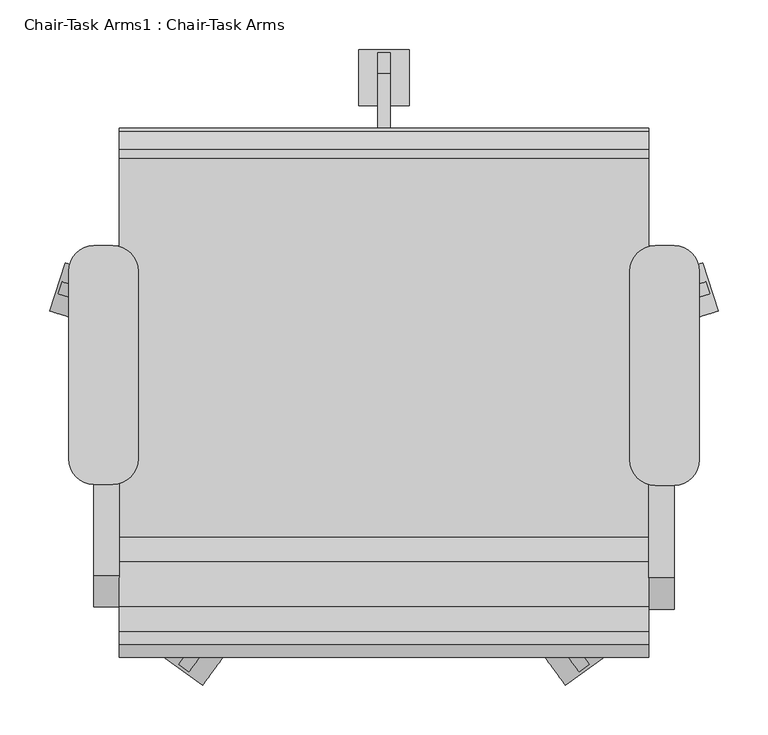
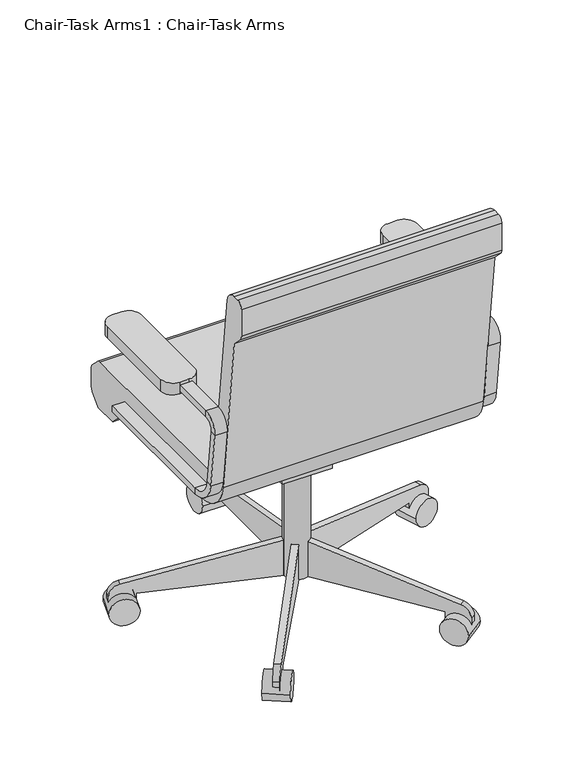
"""IFC4 building model written with IfcOpenShell, lengths in millimetres: furniture geometry, Chair-Task Arms1 : Chair-Task Arms."""

from ifc_helpers import new_model, si_unit, point, frame, frame_2d, origin, place, context, project, spatial, polyline, circle_curve, trimmed, segment, composite_curve, outline, extrude, source, transform, mapped, element, save
from ifc_brep_helpers import plane_surface, cylinder_surface, revolved_surface, advanced_brep


def chair_task_arms1_chair_task_arms_8297d889(model_context):
    return source(origin(), model_context, "Body", "SolidModel", [
        extrude(outline(composite_curve([segment(polyline([(433.0908197, -74.2028048), (414.0408197, -74.2028048)]), True, "CONTINUOUS"), segment(trimmed(circle_curve(frame_2d((414.0408197, -48.8028048)), 25.4), [point((414.0408197, -74.2028048))], [point((388.6408197, -48.8028048))], False, "CARTESIAN"), True, "CONTINUOUS"), segment(polyline([(388.6408197, -48.8028048), (388.6408197, 141.6319091)]), True, "CONTINUOUS"), segment(trimmed(circle_curve(frame_2d((414.0408197, 141.6319091)), 25.4), [point((388.6408197, 141.6319091))], [point((414.0408197, 167.0319091))], False, "CARTESIAN"), True, "CONTINUOUS"), segment(polyline([(414.0408197, 167.0319091), (433.0908197, 167.0319091)]), True, "CONTINUOUS"), segment(trimmed(circle_curve(frame_2d((433.0908197, 141.6319091)), 25.4), [point((433.0908197, 167.0319091))], [point((458.4908197, 141.6319091))], False, "CARTESIAN"), True, "CONTINUOUS"), segment(polyline([(458.4908197, 141.6319091), (458.4908197, -48.8028048)]), True, "CONTINUOUS"), segment(trimmed(circle_curve(frame_2d((433.0908197, -48.8028048)), 25.4), [point((458.4908197, -48.8028048))], [point((433.0908197, -74.2028048))], False, "CARTESIAN"), True, "CONTINUOUS")], self_intersect=False)), frame((0.0, 0.0, 596.9), z_axis=(0.0, 0.0, 1.0), x_axis=(1.0, 0.0, 0.0)), (0.0, 0.0, 1.0), 25.4),
        extrude(outline(composite_curve([segment(polyline([(-132.0591803, -73.1575984), (-151.1091803, -73.1575984)]), True, "CONTINUOUS"), segment(trimmed(circle_curve(frame_2d((-151.1091803, -47.7575984)), 25.4), [point((-151.1091803, -73.1575984))], [point((-176.5091803, -47.7575984))], False, "CARTESIAN"), True, "CONTINUOUS"), segment(polyline([(-176.5091803, -47.7575984), (-176.5091803, 141.6319091)]), True, "CONTINUOUS"), segment(trimmed(circle_curve(frame_2d((-151.1091803, 141.6319091)), 25.4), [point((-176.5091803, 141.6319091))], [point((-151.1091803, 167.0319091))], False, "CARTESIAN"), True, "CONTINUOUS"), segment(polyline([(-151.1091803, 167.0319091), (-132.0591803, 167.0319091)]), True, "CONTINUOUS"), segment(trimmed(circle_curve(frame_2d((-132.0591803, 141.6319091)), 25.4), [point((-132.0591803, 167.0319091))], [point((-106.6591803, 141.6319091))], False, "CARTESIAN"), True, "CONTINUOUS"), segment(polyline([(-106.6591803, 141.6319091), (-106.6591803, -47.7575984)]), True, "CONTINUOUS"), segment(trimmed(circle_curve(frame_2d((-132.0591803, -47.7575984)), 25.4), [point((-106.6591803, -47.7575984))], [point((-132.0591803, -73.1575984))], False, "CARTESIAN"), True, "CONTINUOUS")], self_intersect=False)), frame((0.0, 0.0, 596.9), z_axis=(0.0, 0.0, 1.0), x_axis=(1.0, 0.0, 0.0)), (0.0, 0.0, 1.0), 25.4),
        advanced_brep(
        [(-151.1091803, 167.0319091, 412.75), (-151.1091803, 167.0319091, 425.45), (-125.7091803, 167.0319091, 425.45), (-125.7091803, 167.0319091, 412.75), (-151.1091803, -126.2388651, 412.75), (-151.1091803, -126.2388651, 425.45), (-125.7091803, -126.2388651, 425.45), (-125.7091803, -126.2388651, 412.75), (-151.1091803, -170.3844094, 464.7064065), (-151.1091803, -182.9974221, 463.2225227), (-125.7091803, -170.3844094, 464.7064065), (-125.7091803, -182.9974221, 463.2225227), (-151.1091803, -196.7936301, 580.4902904), (-151.1091803, -184.1806174, 581.9741742), (-125.7091803, -184.1806174, 581.9741742), (-125.7091803, -196.7936301, 580.4902904), (-151.1091803, -165.2610984, 603.25), (-151.1091803, -165.2610984, 615.95), (-125.7091803, -165.2610984, 603.25), (-125.7091803, -165.2610984, 615.95), (-151.1091803, 18.9459016, 615.95), (-125.7091803, 18.9459016, 615.95), (-125.7091803, 18.9459016, 603.25), (-151.1091803, 18.9459016, 603.25)],
        [
            (0, 1),
            (1, 2),
            (2, 3),
            (3, 0),
            (0, 4),
            (4, 5),
            (5, 1),
            (5, 6),
            (6, 2),
            (6, 7),
            (7, 3),
            (7, 4),
            (8, 5, circle_curve(frame((-151.1091803, -126.2388651, 469.9), z_axis=(1.0, 0.0, 0.0), x_axis=(0.0, 0.0, -1.0)), 44.45)),
            (4, 9, circle_curve(frame((-151.1091803, -126.2388651, 469.9), z_axis=(-1.0, 0.0, 0.0), x_axis=(0.0, 0.0, -1.0)), 57.15)),
            (9, 8),
            (10, 6, circle_curve(frame((-125.7091803, -126.2388651, 469.9), z_axis=(1.0, 0.0, 0.0), x_axis=(0.0, 0.0, -1.0)), 44.45)),
            (8, 10),
            (11, 7, circle_curve(frame((-125.7091803, -126.2388651, 469.9), z_axis=(1.0, 0.0, 0.0), x_axis=(0.0, 0.0, -1.0)), 57.15)),
            (10, 11),
            (11, 9),
            (9, 12),
            (12, 13),
            (13, 8),
            (13, 14),
            (14, 10),
            (14, 15),
            (15, 11),
            (15, 12),
            (16, 13, circle_curve(frame((-151.1091803, -165.2610984, 584.2), z_axis=(1.0, 0.0, 0.0), x_axis=(0.0, -0.993150604322877, -0.11684124756739026)), 19.05)),
            (12, 17, circle_curve(frame((-151.1091803, -165.2610984, 584.2), z_axis=(-1.0, 0.0, 0.0), x_axis=(0.0, -0.993150604322877, -0.11684124756739026)), 31.75)),
            (17, 16),
            (18, 14, circle_curve(frame((-125.7091803, -165.2610984, 584.2), z_axis=(1.0, 0.0, 0.0), x_axis=(0.0, -0.993150604322877, -0.11684124756739026)), 19.05)),
            (16, 18),
            (19, 15, circle_curve(frame((-125.7091803, -165.2610984, 584.2), z_axis=(1.0, 0.0, 0.0), x_axis=(0.0, -0.993150604322877, -0.11684124756739026)), 31.75)),
            (18, 19),
            (19, 17),
            (20, 21),
            (21, 22),
            (22, 23),
            (23, 20),
            (17, 20),
            (23, 16),
            (22, 18),
            (21, 19),
        ],
        [
            plane_surface(frame((-152.608212, 167.0319091, 419.1), z_axis=(0.0, 1.0, 0.0), x_axis=(0.0, 0.0, -1.0))),
            plane_surface(frame((-151.1091803, 167.0319091, 412.75), z_axis=(-1.0, 0.0, 0.0), x_axis=(0.0, -1.0, 0.0))),
            plane_surface(frame((-151.1091803, 167.0319091, 425.45), z_axis=(0.0, 0.0, 1.0), x_axis=(0.0, -1.0, 0.0))),
            plane_surface(frame((-125.7091803, 167.0319091, 425.45), z_axis=(1.0, 0.0, 0.0), x_axis=(0.0, -1.0, 0.0))),
            plane_surface(frame((-125.7091803, 167.0319091, 412.75), z_axis=(0.0, 0.0, -1.0), x_axis=(0.0, -1.0, 0.0))),
            plane_surface(frame((-151.1091803, -126.2388651, 469.9), z_axis=(-1.0, 0.0, 0.0), x_axis=(0.0, 0.0, -1.0))),
            revolved_surface(polyline([(-151.1091803, -126.2388651, 425.45), (-125.7091803, -126.2388651, 425.45)]), (-138.4091803, -126.2388651, 469.9), (-1.0, 0.0, 0.0)),
            plane_surface(frame((-125.7091803, -126.2388651, 469.9), z_axis=(1.0, 0.0, 0.0), x_axis=(0.0, 0.0, -1.0))),
            cylinder_surface(frame((-138.4091803, -126.2388651, 469.9), z_axis=(-1.0, 0.0, 0.0), x_axis=(0.0, 0.0, -1.0)), 57.15),
            plane_surface(frame((-151.1091803, -182.9974221, 463.2225227), z_axis=(-1.0, 0.0, 0.0), x_axis=(0.0, -0.11684124756738562, 0.9931506043228776))),
            plane_surface(frame((-151.1091803, -170.3844094, 464.7064065), z_axis=(0.0, 0.9931506043228776, 0.11684124756738562), x_axis=(0.0, -0.11684124756738562, 0.9931506043228776))),
            plane_surface(frame((-125.7091803, -170.3844094, 464.7064065), z_axis=(1.0, 0.0, 0.0), x_axis=(0.0, -0.11684124756738562, 0.9931506043228776))),
            plane_surface(frame((-125.7091803, -182.9974221, 463.2225227), z_axis=(0.0, -0.9931506043228776, -0.11684124756738562), x_axis=(0.0, -0.11684124756738562, 0.9931506043228776))),
            plane_surface(frame((-151.1091803, -165.2610984, 584.2), z_axis=(-1.0, 0.0, 0.0), x_axis=(0.0, -0.993150604322877, -0.11684124756739026))),
            revolved_surface(polyline([(-151.1091803, -184.1806174123508, 581.9741742338413), (-125.7091803, -184.1806174123508, 581.9741742338413)]), (-138.4091803, -165.2610984, 584.2), (-1.0, 0.0, 0.0)),
            plane_surface(frame((-125.7091803, -165.2610984, 584.2), z_axis=(1.0, 0.0, 0.0), x_axis=(0.0, -0.993150604322877, -0.11684124756739026))),
            cylinder_surface(frame((-138.4091803, -165.2610984, 584.2), z_axis=(-1.0, 0.0, 0.0), x_axis=(0.0, -0.993150604322877, -0.11684124756739026)), 31.75),
            plane_surface(frame((-152.608212, 18.9459016, 609.6), z_axis=(0.0, 1.0, 0.0), x_axis=(0.0, 0.0, 1.0))),
            plane_surface(frame((-151.1091803, -165.2610984, 615.95), z_axis=(-1.0, 0.0, 0.0), x_axis=(0.0, 1.0, 0.0))),
            plane_surface(frame((-151.1091803, -165.2610984, 603.25), z_axis=(0.0, 0.0, -1.0), x_axis=(0.0, 1.0, 0.0))),
            plane_surface(frame((-125.7091803, -165.2610984, 603.25), z_axis=(1.0, 0.0, 0.0), x_axis=(0.0, 1.0, 0.0))),
            plane_surface(frame((-125.7091803, -165.2610984, 615.95), z_axis=(0.0, 0.0, 1.0), x_axis=(0.0, 1.0, 0.0))),
        ],
        [
            (0, [[1, 2, 3, 4]]),
            (1, [[-1, 5, 6, 7]]),
            (2, [[-2, -7, 8, 9]]),
            (3, [[-3, -9, 10, 11]]),
            (4, [[-4, -11, 12, -5]]),
            (5, [[13, -6, 14, 15]]),
            (6, [[16, -8, -13, 17]]),
            (7, [[18, -10, -16, 19]]),
            (8, [[-14, -12, -18, 20]]),
            (9, [[-15, 21, 22, 23]]),
            (10, [[-17, -23, 24, 25]]),
            (11, [[-19, -25, 26, 27]]),
            (12, [[-20, -27, 28, -21]]),
            (13, [[29, -22, 30, 31]]),
            (14, [[32, -24, -29, 33]]),
            (15, [[34, -26, -32, 35]]),
            (16, [[-30, -28, -34, 36]]),
            (17, [[37, 38, 39, 40]]),
            (18, [[-31, 41, -40, 42]]),
            (19, [[-33, -42, -39, 43]]),
            (20, [[-35, -43, -38, 44]]),
            (21, [[-36, -44, -37, -41]]),
        ],
    ),
        advanced_brep(
        [(433.0908197, 167.0319091, 425.45), (433.0908197, 167.0319091, 412.75), (407.6908197, 167.0319091, 412.75), (407.6908197, 167.0319091, 425.45), (433.0908197, -128.329278, 425.45), (433.0908197, -128.329278, 412.75), (407.6908197, -128.329278, 412.75), (407.6908197, -128.329278, 425.45), (433.0908197, -185.0878351, 463.2225227), (433.0908197, -172.4748224, 464.7064065), (407.6908197, -185.0878351, 463.2225227), (407.6908197, -172.4748224, 464.7064065), (433.0908197, -186.2710303, 581.9741742), (433.0908197, -198.884043, 580.4902904), (407.6908197, -198.884043, 580.4902904), (407.6908197, -186.2710303, 581.9741742), (433.0908197, -167.3515113, 615.95), (433.0908197, -167.3515113, 603.25), (407.6908197, -167.3515113, 615.95), (407.6908197, -167.3515113, 603.25), (433.0908197, 18.9459016, 603.25), (407.6908197, 18.9459016, 603.25), (407.6908197, 18.9459016, 615.95), (433.0908197, 18.9459016, 615.95)],
        [
            (0, 1),
            (1, 2),
            (2, 3),
            (3, 0),
            (0, 4),
            (4, 5),
            (5, 1),
            (5, 6),
            (6, 2),
            (6, 7),
            (7, 3),
            (7, 4),
            (8, 5, circle_curve(frame((433.0908197, -128.329278, 469.9), z_axis=(1.0, 0.0, 0.0), x_axis=(0.0, 0.0, -1.0)), 57.15)),
            (4, 9, circle_curve(frame((433.0908197, -128.329278, 469.9), z_axis=(-1.0, 0.0, 0.0), x_axis=(0.0, 0.0, -1.0)), 44.45)),
            (9, 8),
            (10, 6, circle_curve(frame((407.6908197, -128.329278, 469.9), z_axis=(1.0, 0.0, 0.0), x_axis=(0.0, 0.0, -1.0)), 57.15)),
            (8, 10),
            (11, 7, circle_curve(frame((407.6908197, -128.329278, 469.9), z_axis=(1.0, 0.0, 0.0), x_axis=(0.0, 0.0, -1.0)), 44.45)),
            (10, 11),
            (11, 9),
            (9, 12),
            (12, 13),
            (13, 8),
            (13, 14),
            (14, 10),
            (14, 15),
            (15, 11),
            (15, 12),
            (16, 13, circle_curve(frame((433.0908197, -167.3515113, 584.2), z_axis=(1.0, 0.0, 0.0), x_axis=(0.0, -0.9931506043228767, -0.1168412475673929)), 31.75)),
            (12, 17, circle_curve(frame((433.0908197, -167.3515113, 584.2), z_axis=(-1.0, 0.0, 0.0), x_axis=(0.0, -0.9931506043228767, -0.1168412475673929)), 19.05)),
            (17, 16),
            (18, 14, circle_curve(frame((407.6908197, -167.3515113, 584.2), z_axis=(1.0, 0.0, 0.0), x_axis=(0.0, -0.9931506043228767, -0.1168412475673929)), 31.75)),
            (16, 18),
            (19, 15, circle_curve(frame((407.6908197, -167.3515113, 584.2), z_axis=(1.0, 0.0, 0.0), x_axis=(0.0, -0.9931506043228767, -0.1168412475673929)), 19.05)),
            (18, 19),
            (19, 17),
            (20, 21),
            (21, 22),
            (22, 23),
            (23, 20),
            (17, 20),
            (23, 16),
            (22, 18),
            (21, 19),
        ],
        [
            plane_surface(frame((406.191788, 167.0319091, 419.1), z_axis=(0.0, 1.0, 0.0), x_axis=(0.0, 0.0, -1.0))),
            plane_surface(frame((433.0908197, 167.0319091, 425.45), z_axis=(1.0, 0.0, 0.0), x_axis=(0.0, -1.0, 0.0))),
            plane_surface(frame((433.0908197, 167.0319091, 412.75), z_axis=(0.0, 0.0, -1.0), x_axis=(0.0, -1.0, 0.0))),
            plane_surface(frame((407.6908197, 167.0319091, 412.75), z_axis=(-1.0, 0.0, 0.0), x_axis=(0.0, -1.0, 0.0))),
            plane_surface(frame((407.6908197, 167.0319091, 425.45), z_axis=(0.0, 0.0, 1.0), x_axis=(0.0, -1.0, 0.0))),
            plane_surface(frame((433.0908197, -128.329278, 469.9), z_axis=(1.0, 0.0, 0.0), x_axis=(0.0, 0.0, -1.0))),
            cylinder_surface(frame((420.3908197, -128.329278, 469.9), z_axis=(-1.0, 0.0, 0.0), x_axis=(0.0, 0.0, -1.0)), 57.15),
            plane_surface(frame((407.6908197, -128.329278, 469.9), z_axis=(-1.0, 0.0, 0.0), x_axis=(0.0, 0.0, -1.0))),
            revolved_surface(polyline([(407.6908197, -128.329278, 425.45), (433.0908197, -128.329278, 425.45)]), (420.3908197, -128.329278, 469.9), (-1.0, 0.0, 0.0)),
            plane_surface(frame((433.0908197, -172.4748224, 464.7064065), z_axis=(1.0, 0.0, 0.0), x_axis=(0.0, -0.11684124756738622, 0.9931506043228775))),
            plane_surface(frame((433.0908197, -185.0878351, 463.2225227), z_axis=(0.0, -0.9931506043228775, -0.11684124756738622), x_axis=(0.0, -0.11684124756738622, 0.9931506043228775))),
            plane_surface(frame((407.6908197, -185.0878351, 463.2225227), z_axis=(-1.0, 0.0, 0.0), x_axis=(0.0, -0.11684124756738622, 0.9931506043228775))),
            plane_surface(frame((407.6908197, -172.4748224, 464.7064065), z_axis=(0.0, 0.9931506043228775, 0.11684124756738622), x_axis=(0.0, -0.11684124756738622, 0.9931506043228775))),
            plane_surface(frame((433.0908197, -167.3515113, 584.2), z_axis=(1.0, 0.0, 0.0), x_axis=(0.0, -0.9931506043228767, -0.1168412475673929))),
            cylinder_surface(frame((420.3908197, -167.3515113, 584.2), z_axis=(-1.0, 0.0, 0.0), x_axis=(0.0, -0.9931506043228767, -0.1168412475673929)), 31.75),
            plane_surface(frame((407.6908197, -167.3515113, 584.2), z_axis=(-1.0, 0.0, 0.0), x_axis=(0.0, -0.9931506043228767, -0.1168412475673929))),
            revolved_surface(polyline([(407.6908197, -186.2710303123508, 581.9741742338412), (433.0908197, -186.2710303123508, 581.9741742338412)]), (420.3908197, -167.3515113, 584.2), (-1.0, 0.0, 0.0)),
            plane_surface(frame((406.191788, 18.9459016, 609.6), z_axis=(0.0, 1.0, 0.0), x_axis=(0.0, 0.0, 1.0))),
            plane_surface(frame((433.0908197, -167.3515113, 603.25), z_axis=(1.0, 0.0, 0.0), x_axis=(0.0, 1.0, 0.0))),
            plane_surface(frame((433.0908197, -167.3515113, 615.95), z_axis=(0.0, 0.0, 1.0), x_axis=(0.0, 1.0, 0.0))),
            plane_surface(frame((407.6908197, -167.3515113, 615.95), z_axis=(-1.0, 0.0, 0.0), x_axis=(0.0, 1.0, 0.0))),
            plane_surface(frame((407.6908197, -167.3515113, 603.25), z_axis=(0.0, 0.0, -1.0), x_axis=(0.0, 1.0, 0.0))),
        ],
        [
            (0, [[1, 2, 3, 4]]),
            (1, [[-1, 5, 6, 7]]),
            (2, [[-2, -7, 8, 9]]),
            (3, [[-3, -9, 10, 11]]),
            (4, [[-4, -11, 12, -5]]),
            (5, [[13, -6, 14, 15]]),
            (6, [[16, -8, -13, 17]]),
            (7, [[18, -10, -16, 19]]),
            (8, [[-14, -12, -18, 20]]),
            (9, [[-15, 21, 22, 23]]),
            (10, [[-17, -23, 24, 25]]),
            (11, [[-19, -25, 26, 27]]),
            (12, [[-20, -27, 28, -21]]),
            (13, [[29, -22, 30, 31]]),
            (14, [[32, -24, -29, 33]]),
            (15, [[34, -26, -32, 35]]),
            (16, [[-30, -28, -34, 36]]),
            (17, [[37, 38, 39, 40]]),
            (18, [[-31, 41, -40, 42]]),
            (19, [[-33, -42, -39, 43]]),
            (20, [[-35, -43, -38, 44]]),
            (21, [[-36, -44, -37, -41]]),
        ],
    ),
        extrude(outline(composite_curve([segment(trimmed(circle_curve(frame_2d((140.9908197, 18.9459016)), 25.4), [point((115.5908197, 18.9459016))], [point((166.3908197, 18.9459016))], False, "CARTESIAN"), True, "CONTINUOUS"), segment(trimmed(circle_curve(frame_2d((140.9908197, 18.9459016)), 25.4), [point((166.3908197, 18.9459016))], [point((115.5908197, 18.9459016))], False, "CARTESIAN"), True, "CONTINUOUS")], self_intersect=False)), frame((0.0, 0.0, 53.5835944), z_axis=(0.0, 0.0, 1.0), x_axis=(1.0, 0.0, 0.0)), (0.0, 0.0, 1.0), 330.5914056),
        extrude(outline(composite_curve([segment(trimmed(circle_curve(frame_2d((0.0, -28.2002727)), 28.2002727), [point((0.0, -56.4005455))], [point((0.0, 0.0))], False, "CARTESIAN"), True, "CONTINUOUS"), segment(trimmed(circle_curve(frame_2d((0.0, -28.2002727)), 28.2002727), [point((0.0, 0.0))], [point((0.0, -56.4005455))], False, "CARTESIAN"), True, "CONTINUOUS")], self_intersect=False)), frame((477.6203484, 101.6163254, 28.1835944), z_axis=(-0.3090169943749423, 0.9510565162951553, 0.0), x_axis=(0.0, 0.0, 1.0)), (0.0, 0.0, 1.0), 50.8),
        extrude(outline(composite_curve([segment(polyline([(-25.4, 0.0), (0.0, 0.0), (0.0, -50.8), (-24.303053, -50.8)]), True, "CONTINUOUS"), segment(trimmed(circle_curve(frame_2d((-24.303053, -25.4)), 25.4), [point((-24.303053, -50.8))], [point((-49.3171699, -29.8106637))], False, "CARTESIAN"), True, "CONTINUOUS"), segment(polyline([(-49.3171699, -29.8106637), (-101.6, 266.7), (-101.6, 292.1), (-25.4, 292.1), (-25.4, 0.0)]), True, "CONTINUOUS")], self_intersect=False)), frame((420.756686, 103.1705568, 28.1835944), z_axis=(-0.3090169943749423, 0.9510565162951553, 0.0), x_axis=(0.0, 0.0, -1.0)), (0.0, 0.0, 1.0), 12.7),
        extrude(outline(composite_curve([segment(trimmed(circle_curve(frame_2d((0.0, -28.2002727)), 28.2002727), [point((0.0, -56.4005455))], [point((0.0, 0.0))], False, "CARTESIAN"), True, "CONTINUOUS"), segment(trimmed(circle_curve(frame_2d((0.0, -28.2002727)), 28.2002727), [point((0.0, 0.0))], [point((0.0, -56.4005455))], False, "CARTESIAN"), True, "CONTINUOUS")], self_intersect=False)), frame((323.63931, -275.6612394, 28.1835944), z_axis=(0.8090169943749499, 0.5877852522924699, 0.0), x_axis=(0.0, 0.0, 1.0)), (0.0, 0.0, 1.0), 50.8),
        extrude(outline(composite_curve([segment(polyline([(-25.4, 0.0), (0.0, 0.0), (0.0, -50.8), (-24.303053, -50.8)]), True, "CONTINUOUS"), segment(trimmed(circle_curve(frame_2d((-24.303053, -25.3999999)), 25.4), [point((-24.303053, -50.8))], [point((-49.3171699, -29.8106636))], False, "CARTESIAN"), True, "CONTINUOUS"), segment(polyline([(-49.3171699, -29.8106636), (-101.6, 266.7), (-101.6, 292.1), (-25.4, 292.1), (-25.4, 0.0)]), True, "CONTINUOUS")], self_intersect=False)), frame((307.545634, -221.1003988, 28.1835944), z_axis=(0.8090169943749499, 0.5877852522924699, 0.0), x_axis=(0.0, 0.0, -1.0)), (0.0, 0.0, 1.0), 12.7),
        extrude(outline(composite_curve([segment(trimmed(circle_curve(frame_2d((0.0, -28.2002727)), 28.2002727), [point((0.0, -56.4005455))], [point((0.0, 0.0))], False, "CARTESIAN"), True, "CONTINUOUS"), segment(trimmed(circle_curve(frame_2d((0.0, -28.2002727)), 28.2002727), [point((0.0, 0.0))], [point((0.0, -56.4005455))], False, "CARTESIAN"), True, "CONTINUOUS")], self_intersect=False)), frame((-41.6576707, -275.6612394, 28.1835944), z_axis=(-0.8090169943749458, 0.5877852522924754, 0.0), x_axis=(0.0, 0.0, -1.0)), (0.0, 0.0, 1.0), 50.8),
        extrude(outline(composite_curve([segment(polyline([(25.4, 0.0), (25.4, 292.1), (101.6, 292.1), (101.6, 266.7), (49.3171699, -29.8106637)]), True, "CONTINUOUS"), segment(trimmed(circle_curve(frame_2d((24.303053, -25.3999999)), 25.4), [point((49.3171699, -29.8106637))], [point((24.303053, -50.8))], False, "CARTESIAN"), True, "CONTINUOUS"), segment(polyline([(24.303053, -50.8), (0.0, -50.8), (0.0, 0.0), (25.4, 0.0)]), True, "CONTINUOUS")], self_intersect=False)), frame((-25.5639946, -221.1003988, 28.1835944), z_axis=(-0.8090169943749459, 0.5877852522924754, 0.0), x_axis=(0.0, 0.0, 1.0)), (0.0, 0.0, 1.0), 12.7),
        extrude(outline(composite_curve([segment(trimmed(circle_curve(frame_2d((0.0, -28.2002727)), 28.2002727), [point((0.0, -56.4005454))], [point((0.0, 0.0))], False, "CARTESIAN"), True, "CONTINUOUS"), segment(trimmed(circle_curve(frame_2d((0.0, -28.2002727)), 28.2002727), [point((0.0, 0.0))], [point((0.0, -56.4005454))], False, "CARTESIAN"), True, "CONTINUOUS")], self_intersect=False)), frame((-195.638709, 101.6163254, 28.1835944), z_axis=(0.3090169943749487, 0.9510565162951532, 0.0), x_axis=(0.0, 0.0, -1.0)), (0.0, 0.0, 1.0), 50.8),
        extrude(outline(composite_curve([segment(polyline([(25.4, 0.0), (25.4, 292.1000001), (101.6, 292.1000001), (101.6, 266.7), (49.3171699, -29.8106636)]), True, "CONTINUOUS"), segment(trimmed(circle_curve(frame_2d((24.303053, -25.4)), 25.4), [point((49.3171699, -29.8106636))], [point((24.303053, -50.8))], False, "CARTESIAN"), True, "CONTINUOUS"), segment(polyline([(24.303053, -50.8), (0.0, -50.8), (0.0, 0.0), (25.4, 0.0)]), True, "CONTINUOUS")], self_intersect=False)), frame((-138.7750467, 103.1705568, 28.1835944), z_axis=(0.3090169943749487, 0.9510565162951532, 0.0), x_axis=(0.0, 0.0, 1.0)), (0.0, 0.0, 1.0), 12.7),
        extrude(outline(composite_curve([segment(trimmed(circle_curve(frame_2d((336.4459016, 28.1835944)), 28.2002727), [point((308.2456289, 28.1835944))], [point((364.6461744, 28.1835944))], False, "CARTESIAN"), True, "CONTINUOUS"), segment(trimmed(circle_curve(frame_2d((336.4459016, 28.1835944)), 28.2002727), [point((364.6461744, 28.1835944))], [point((308.2456289, 28.1835944))], False, "CARTESIAN"), True, "CONTINUOUS")], self_intersect=False)), frame((115.5908197, 0.0, 0.0), z_axis=(1.0, 0.0, 0.0), x_axis=(0.0, 1.0, 0.0)), (0.0, 0.0, 1.0), 50.8),
        extrude(outline(composite_curve([segment(polyline([(311.0459016, 53.5835944), (18.9459016, 53.5835944), (18.9459016, 129.7835944), (44.3459016, 129.7835944), (340.8565654, 77.5007643)]), True, "CONTINUOUS"), segment(trimmed(circle_curve(frame_2d((336.4459016, 52.4866474)), 25.4), [point((340.8565654, 77.5007643))], [point((361.8459016, 52.4866474))], False, "CARTESIAN"), True, "CONTINUOUS"), segment(polyline([(361.8459016, 52.4866474), (361.8459016, 28.1835944), (311.0459016, 28.1835944), (311.0459016, 53.5835944)]), True, "CONTINUOUS")], self_intersect=False)), frame((134.6408197, 0.0, 0.0), z_axis=(1.0, 0.0, 0.0), x_axis=(0.0, 1.0, 0.0)), (0.0, 0.0, 1.0), 12.7),
        extrude(outline(polyline([(69.7459016, 383.7835944), (69.7459016, 371.0835944), (18.9459016, 283.0954134), (-19.1540984, 283.0954134), (-19.1540984, 383.7835944), (69.7459016, 383.7835944)])), frame((90.1908197, 0.0, 0.0), z_axis=(1.0, 0.0, 0.0), x_axis=(0.0, 1.0, 0.0)), (0.0, 0.0, 1.0), 101.6),
        extrude(outline(composite_curve([segment(polyline([(-126.2050455, 457.2), (255.0102301, 457.2)]), True, "CONTINUOUS"), segment(trimmed(circle_curve(frame_2d((255.0102301, 444.5)), 12.7), [point((255.0102301, 457.2))], [point((263.9604301, 453.510212))], False, "CARTESIAN"), True, "CONTINUOUS"), segment(polyline([(263.9604301, 453.510212), (281.8961016, 435.6939999)]), True, "CONTINUOUS"), segment(trimmed(circle_curve(frame_2d((272.9459016, 426.6837879)), 12.7), [point((281.8961016, 435.6939999))], [point((285.6459016, 426.6837879))], False, "CARTESIAN"), True, "CONTINUOUS"), segment(polyline([(285.6459016, 426.6837879), (285.6459016, 391.6405184)]), True, "CONTINUOUS"), segment(trimmed(circle_curve(frame_2d((260.2459016, 391.6405184)), 25.4), [point((285.6459016, 391.6405184))], [point((278.2663256, 373.7401184))], False, "CARTESIAN"), True, "CONTINUOUS"), segment(polyline([(278.2663256, 373.7401184), (260.2470284, 355.6), (209.4470284, 355.6), (181.0744602, 383.7835944), (-107.1089978, 383.7835944)]), True, "CONTINUOUS"), segment(trimmed(circle_curve(frame_2d((-107.1089978, 459.9835944)), 76.2), [point((-107.1089978, 383.7835944))], [point((-182.7870738, 451.0802913))], False, "CARTESIAN"), True, "CONTINUOUS"), segment(polyline([(-182.7870738, 451.0802913), (-222.3540984, 787.4), (-244.0343545, 809.0802561)]), True, "CONTINUOUS"), segment(trimmed(circle_curve(frame_2d((-235.0540984, 818.0605122)), 12.7), [point((-244.0343545, 809.0802561))], [point((-247.7540984, 818.0605122))], False, "CARTESIAN"), True, "CONTINUOUS"), segment(polyline([(-247.7540984, 818.0605122), (-247.7540984, 876.3)]), True, "CONTINUOUS"), segment(trimmed(circle_curve(frame_2d((-235.0540984, 876.3)), 12.7), [point((-247.7540984, 876.3))], [point((-235.0540984, 889.0))], False, "CARTESIAN"), True, "CONTINUOUS"), segment(polyline([(-235.0540984, 889.0), (-222.1789239, 889.0)]), True, "CONTINUOUS"), segment(trimmed(circle_curve(frame_2d((-222.1789239, 863.6)), 25.4), [point((-222.1789239, 889.0))], [point((-196.9528985, 866.5677677))], False, "CARTESIAN"), True, "CONTINUOUS"), segment(polyline([(-196.9528985, 866.5677677), (-151.4310708, 479.6322323)]), True, "CONTINUOUS"), segment(trimmed(circle_curve(frame_2d((-126.2050455, 482.6)), 25.4), [point((-151.4310708, 479.6322323))], [point((-126.2050455, 457.2))], True, "CARTESIAN"), True, "CONTINUOUS")], self_intersect=False)), frame((-125.7091803, 0.0, 0.0), z_axis=(1.0, 0.0, 0.0), x_axis=(0.0, 1.0, 0.0)), (0.0, 0.0, 1.0), 533.4),
    ])


if __name__ == "__main__":
    model = new_model("IFC4")
    model_context = context("Model", 3, world=origin())
    ifc_project = project(units=[si_unit("LENGTHUNIT", "METRE", prefix="MILLI")], contexts=[model_context])
    site = spatial("IfcSite", under=ifc_project)
    building = spatial("IfcBuilding", under=site)
    placement = place(None, origin())
    chair_task_arms1_chair_task_arms_shape = chair_task_arms1_chair_task_arms_8297d889(model_context)
    element("IfcFurniture", 1, ObjectType="Chair-Task Arms1 : Chair-Task Arms", at=placement, inside=building, context=model_context, shape_type="MappedRepresentation", body=[
        mapped(chair_task_arms1_chair_task_arms_shape, transform((0.0, 0.0, 0.0), x_axis=(1.0, 0.0, 0.0), y_axis=(0.0, 1.0, 0.0), z_axis=(0.0, 0.0, 1.0))),
    ])
    save(model, "model.ifc")
